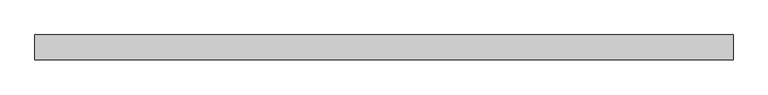
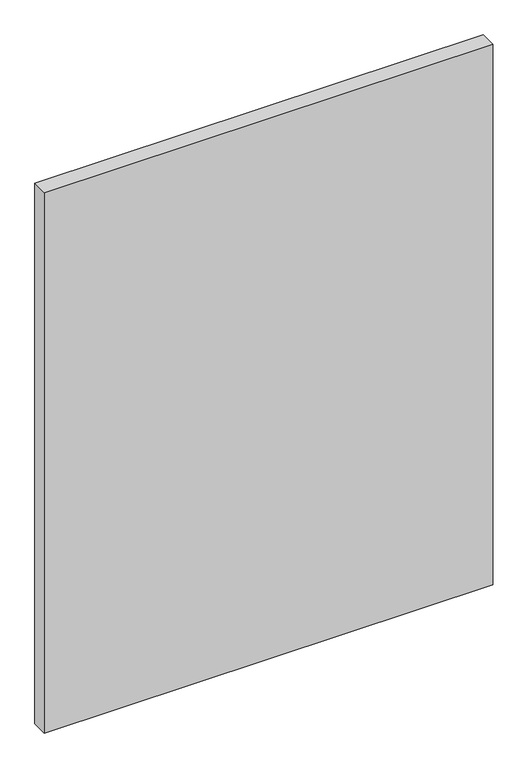
"""IFC4 building model written with IfcOpenShell, lengths in millimetres: plate geometry."""

from ifc_helpers import new_model, si_unit, origin, origin_with_axes, place, context, project, spatial, polyline, outline, extrude, source, transform, mapped, element, save


def plate_804d223a(model_context):
    return source(origin(), model_context, "Body", "SweptSolid", [
        extrude(outline(polyline([(691.1783203, -24.60625), (-691.1783203, -24.60625), (-691.1783203, 24.60625), (691.1783203, 24.60625), (691.1783203, -24.60625)])), origin_with_axes(), (0.0, 0.0, 1.0), 1761.3),
    ])


if __name__ == "__main__":
    model = new_model("IFC4")
    model_context = context("Model", 3, world=origin())
    ifc_project = project(units=[si_unit("LENGTHUNIT", "METRE", prefix="MILLI")], contexts=[model_context])
    site = spatial("IfcSite", under=ifc_project)
    building = spatial("IfcBuilding", under=site)
    placement = place(None, origin())
    plate_shape = plate_804d223a(model_context)
    element("IfcPlate", 1, at=placement, inside=building, context=model_context, shape_type="MappedRepresentation", body=[
        mapped(plate_shape, transform((0.0, 0.0, 0.0), x_axis=(1.0, 0.0, 0.0), y_axis=(0.0, 1.0, 0.0), z_axis=(0.0, 0.0, 1.0))),
    ])
    save(model, "model.ifc")
